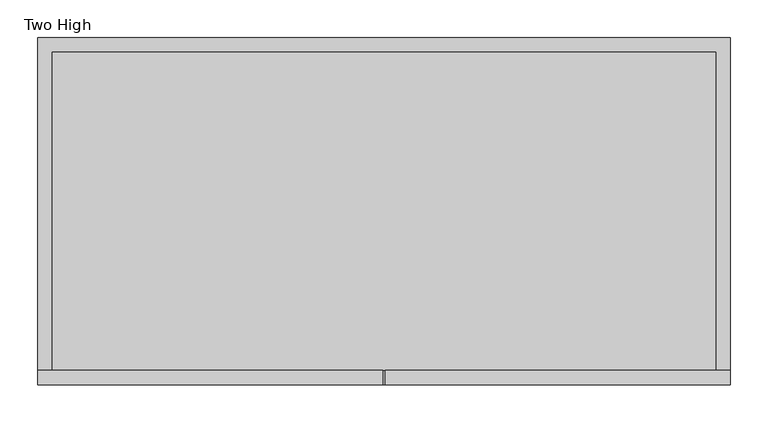
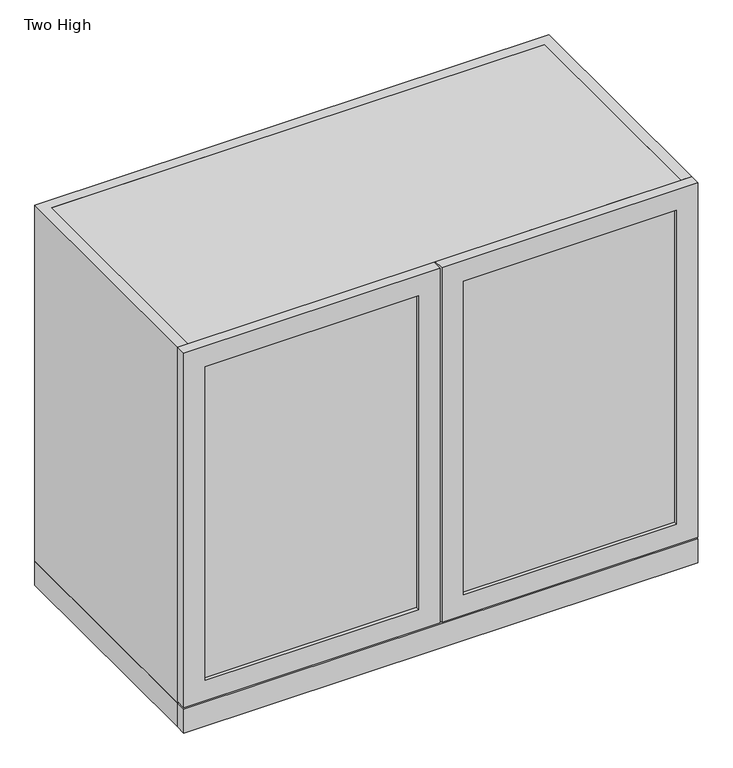
"""IFC4 building model written with IfcOpenShell, lengths in millimetres: furniture geometry, Two High."""

from ifc_helpers import new_model, si_unit, frame, origin, origin_with_axes, place, context, project, spatial, polyline, outline, extrude, source, transform, mapped, element, save


def two_high_f4ea2540(model_context):
    return source(origin(), model_context, "Body", "SweptSolid", [
        extrude(outline(polyline([(-338.1375, -450.85), (-338.1375, -444.5), (39.6875, -444.5), (39.6875, -450.85), (-338.1375, -450.85)])), frame((0.0, 0.0, 85.725), z_axis=(0.0, 0.0, 1.0), x_axis=(1.0, 0.0, 0.0)), (0.0, 0.0, 1.0), 587.375),
        extrude(outline(polyline([(711.2, -376.2375), (47.625, -376.2375), (47.625, 77.7875), (711.2, 77.7875), (711.2, -376.2375)]), holes=[polyline([(673.1, -338.1375), (673.1, 39.6875), (85.725, 39.6875), (85.725, -338.1375), (673.1, -338.1375)])]), frame((0.0, -457.2, 0.0), z_axis=(0.0, 1.0, 0.0), x_axis=(0.0, 0.0, 1.0)), (0.0, 0.0, 1.0), 19.05),
        extrude(outline(polyline([(496.8875, -450.85), (119.0625, -450.85), (119.0625, -444.5), (496.8875, -444.5), (496.8875, -450.85)])), frame((0.0, 0.0, 85.725), z_axis=(0.0, 0.0, 1.0), x_axis=(1.0, 0.0, 0.0)), (0.0, 0.0, 1.0), 587.375),
        extrude(outline(polyline([(711.2, 534.9875), (711.2, 80.9625), (47.625, 80.9625), (47.625, 534.9875), (711.2, 534.9875)]), holes=[polyline([(673.1, 496.8875), (85.725, 496.8875), (85.725, 119.0625), (673.1, 119.0625), (673.1, 496.8875)])]), frame((0.0, -457.2, 0.0), z_axis=(0.0, 1.0, 0.0), x_axis=(0.0, 0.0, 1.0)), (0.0, 0.0, 1.0), 19.05),
        extrude(outline(polyline([(515.9375, -19.05), (515.9375, -438.15), (-357.1875, -438.15), (-357.1875, -19.05), (515.9375, -19.05)])), frame((0.0, 0.0, 369.8875), z_axis=(0.0, 0.0, 1.0), x_axis=(1.0, 0.0, 0.0)), (0.0, 0.0, 1.0), 19.05),
        extrude(outline(polyline([(534.9875, -438.15), (534.9875, -457.2), (-376.2375, -457.2), (-376.2375, -438.15), (534.9875, -438.15)])), origin_with_axes(), (0.0, 0.0, 1.0), 44.45),
        extrude(outline(polyline([(534.9875, 0.0), (534.9875, -438.15), (-376.2375, -438.15), (-376.2375, 0.0), (534.9875, 0.0)])), origin_with_axes(), (0.0, 0.0, 1.0), 44.45),
        extrude(outline(polyline([(515.9375, -19.05), (515.9375, -438.15), (-357.1875, -438.15), (-357.1875, -19.05), (515.9375, -19.05)])), frame((0.0, 0.0, 692.15), z_axis=(0.0, 0.0, 1.0), x_axis=(1.0, 0.0, 0.0)), (0.0, 0.0, 1.0), 19.05),
        extrude(outline(polyline([(534.9875, 0.0), (534.9875, -438.15), (515.9375, -438.15), (515.9375, -19.05), (-357.1875, -19.05), (-357.1875, -438.15), (-376.2375, -438.15), (-376.2375, 0.0), (534.9875, 0.0)])), frame((0.0, 0.0, 44.45), z_axis=(0.0, 0.0, 1.0), x_axis=(1.0, 0.0, 0.0)), (0.0, 0.0, 1.0), 666.75),
    ])


if __name__ == "__main__":
    model = new_model("IFC4")
    model_context = context("Model", 3, world=origin())
    ifc_project = project(units=[si_unit("LENGTHUNIT", "METRE", prefix="MILLI")], contexts=[model_context])
    site = spatial("IfcSite", under=ifc_project)
    building = spatial("IfcBuilding", under=site)
    placement = place(None, origin())
    two_high_shape = two_high_f4ea2540(model_context)
    element("IfcFurniture", 1, ObjectType="Two High", at=placement, inside=building, context=model_context, shape_type="MappedRepresentation", body=[
        mapped(two_high_shape, transform((0.0, 0.0, 0.0), x_axis=(1.0, 0.0, 0.0), y_axis=(0.0, 1.0, 0.0), z_axis=(0.0, 0.0, 1.0))),
    ])
    save(model, "model.ifc")
